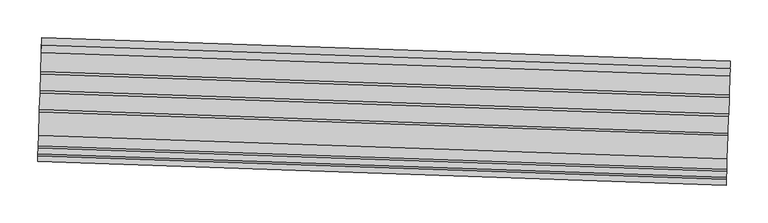
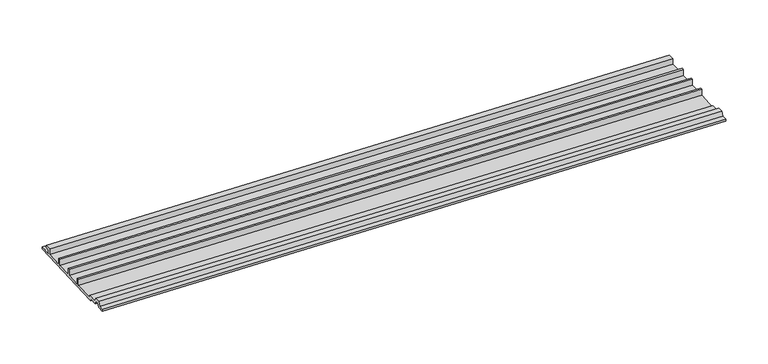
"""IFC4 building model written with IfcOpenShell, lengths in millimetres: proxy geometry."""

from ifc_helpers import new_model, si_unit, frame, origin, place, context, project, spatial, polyline, outline, extrude, source, transform, mapped, element, save


def generic_models_3e2096b9(model_context):
    return source(origin(), model_context, "Body", "SweptSolid", [
        extrude(outline(polyline([(0.0, 0.0), (16.66875, 0.0), (16.66875, 4.9129905), (10.31875, 4.9129905), (10.31875, 8.8104385), (19.8437499, 8.8104385), (19.8437499, 0.0), (45.2437499, 0.0), (45.2437499, 9.525), (48.41875, 9.525), (48.41875, 0.0), (70.64375, 0.0), (70.64375, 9.525), (73.81875, 9.525), (73.81875, 0.0), (96.04375, 0.0), (96.04375, 9.525), (99.2187499, 9.525), (99.2187499, 0.0), (130.175, 0.0), (130.175, 3.175), (144.0273019, 3.175), (146.8433295, 9.2139906), (154.7816704, 9.2139906), (157.5976981, 3.175), (165.1, 3.175), (165.1, 0.0), (155.575, 0.0), (153.0459232, 5.4236225), (148.5790767, 5.4236225), (146.05, 0.0), (133.35, 0.0), (133.35, -3.175), (0.0, -3.175), (0.0, 0.0)])), frame((34371.3610586, -14989.2952733, 2962.2819019), z_axis=(-0.99941494791664, 0.03420178183632904, 0.0), x_axis=(-0.03420178183632904, -0.99941494791664, 0.0)), (0.0, 0.0, 1.0), 914.4),
    ])


if __name__ == "__main__":
    model = new_model("IFC4")
    model_context = context("Model", 3, world=origin())
    ifc_project = project(units=[si_unit("LENGTHUNIT", "METRE", prefix="MILLI")], contexts=[model_context])
    site = spatial("IfcSite", under=ifc_project)
    building = spatial("IfcBuilding", under=site)
    placement = place(None, origin())
    generic_models_shape = generic_models_3e2096b9(model_context)
    element("IfcBuildingElementProxy", 1, Name="Generic Models", at=placement, inside=building, context=model_context, shape_type="MappedRepresentation", body=[
        mapped(generic_models_shape, transform((0.0, 0.0, 0.0), x_axis=(1.0, 0.0, 0.0), y_axis=(0.0, 1.0, 0.0), z_axis=(0.0, 0.0, 1.0))),
    ])
    save(model, "model.ifc")
